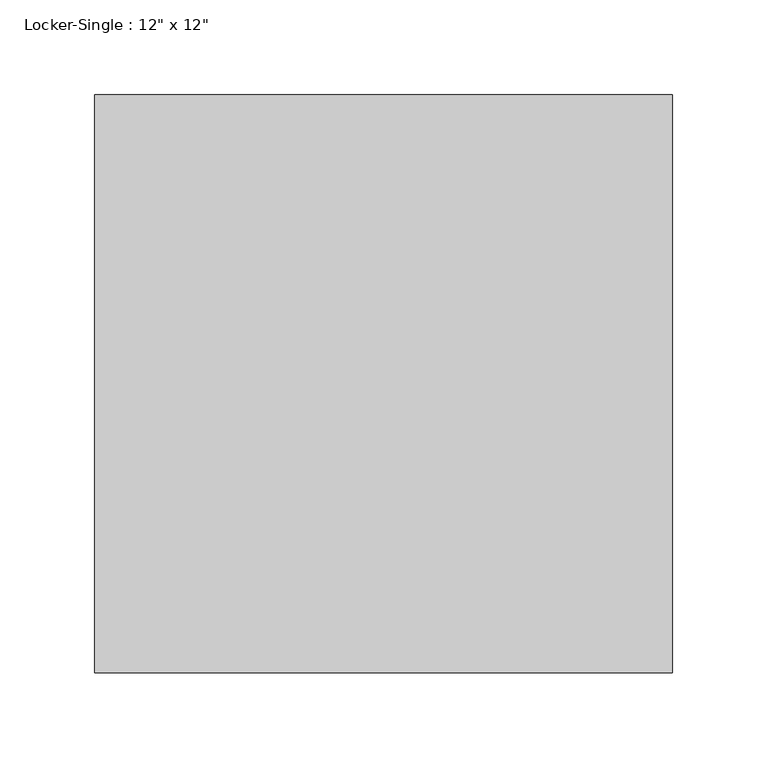
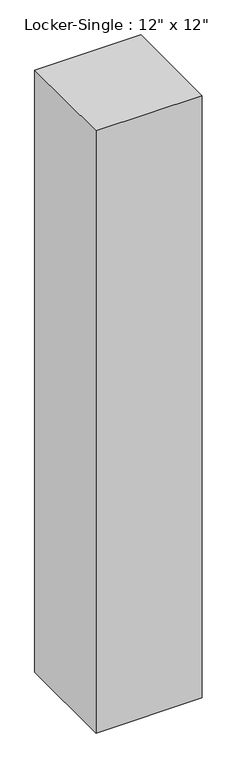
"""IFC4 building model written with IfcOpenShell, lengths in millimetres: proxy geometry."""

from ifc_helpers import new_model, si_unit, origin, place, context, project, spatial, faceted_brep, source, transform, mapped, element, save


def proxy_34b19224(model_context):
    return source(origin(), model_context, "Body", "Brep", [
        faceted_brep([(152.4, 152.4, 1828.8), (-152.4, 152.4, 1828.8), (-152.4, -152.4, 1828.8), (152.4, -152.4, 1828.8), (152.4, 152.4, 0.0), (152.4, -152.4, 0.0), (-152.4, -152.4, 0.0), (-152.4, 152.4, 0.0), (127.0, 152.4, 1752.6), (-127.0, 152.4, 1752.6), (-127.0, 152.4, 76.2), (127.0, 152.4, 76.2), (127.0, 146.05, 76.2), (-127.0, 146.05, 76.2), (-127.0, 146.05, 1752.6), (127.0, 146.05, 1752.6)], [[[0, 1, 2, 3]], [[4, 5, 6, 7]], [[3, 5, 4, 0]], [[2, 6, 5, 3]], [[1, 7, 6, 2]], [[0, 4, 7, 1], [8, 9, 10, 11]], [[12, 13, 14, 15]], [[15, 8, 11, 12]], [[14, 9, 8, 15]], [[13, 10, 9, 14]], [[12, 11, 10, 13]]]),
    ])


if __name__ == "__main__":
    model = new_model("IFC4")
    model_context = context("Model", 3, world=origin())
    ifc_project = project(units=[si_unit("LENGTHUNIT", "METRE", prefix="MILLI")], contexts=[model_context])
    site = spatial("IfcSite", under=ifc_project)
    building = spatial("IfcBuilding", under=site)
    placement = place(None, origin())
    proxy_shape = proxy_34b19224(model_context)
    element("IfcBuildingElementProxy", 1, Name="Locker-Single : 12\" x 12\"", ObjectType="Locker-Single : 12\" x 12\"", at=placement, inside=building, context=model_context, shape_type="MappedRepresentation", body=[
        mapped(proxy_shape, transform((0.0, 0.0, 0.0), x_axis=(1.0, 0.0, 0.0), y_axis=(0.0, 1.0, 0.0), z_axis=(0.0, 0.0, 1.0))),
    ])
    save(model, "model.ifc")
